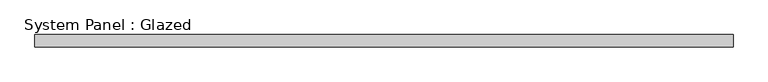
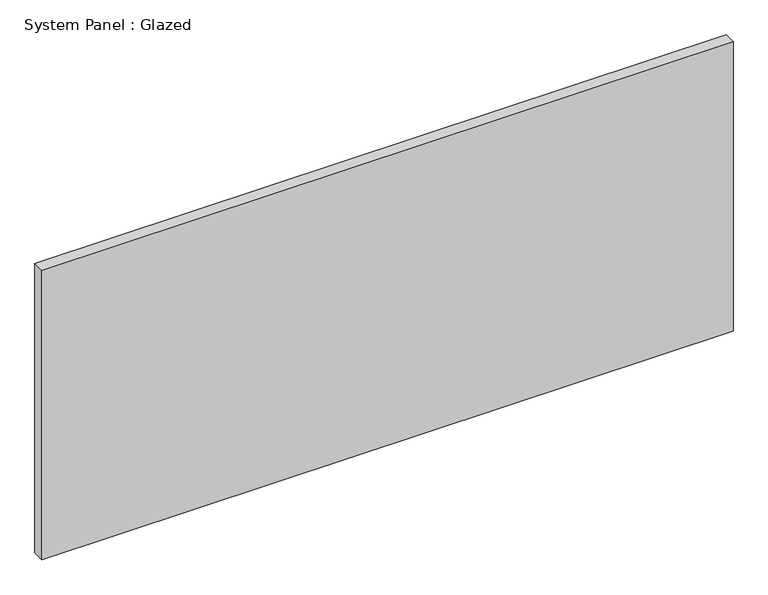
"""IFC4 building model written with IfcOpenShell, lengths in millimetres: plate geometry, System Panel : Glazed."""

from ifc_helpers import new_model, si_unit, origin, origin_with_axes, place, context, project, spatial, polyline, outline, extrude, source, transform, mapped, element, save


def system_panel_glazed_de7e5acf(model_context):
    return source(origin(), model_context, "Body", "SweptSolid", [
        extrude(outline(polyline([(705.8333333, -49.5), (-705.8333333, -49.5), (-705.8333333, -24.5), (705.8333333, -24.5), (705.8333333, -49.5)])), origin_with_axes(), (0.0, 0.0, 1.0), 625.0),
    ])


if __name__ == "__main__":
    model = new_model("IFC4")
    model_context = context("Model", 3, world=origin())
    ifc_project = project(units=[si_unit("LENGTHUNIT", "METRE", prefix="MILLI")], contexts=[model_context])
    site = spatial("IfcSite", under=ifc_project)
    building = spatial("IfcBuilding", under=site)
    placement = place(None, origin())
    system_panel_glazed_shape = system_panel_glazed_de7e5acf(model_context)
    element("IfcPlate", 1, ObjectType="System Panel : Glazed", at=placement, inside=building, context=model_context, shape_type="MappedRepresentation", body=[
        mapped(system_panel_glazed_shape, transform((0.0, 0.0, 0.0), x_axis=(1.0, 0.0, 0.0), y_axis=(0.0, 1.0, 0.0), z_axis=(0.0, 0.0, 1.0))),
    ])
    save(model, "model.ifc")
